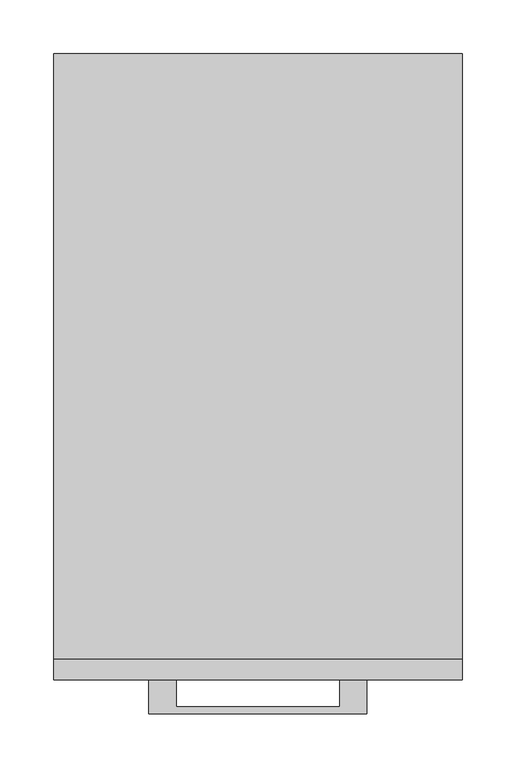
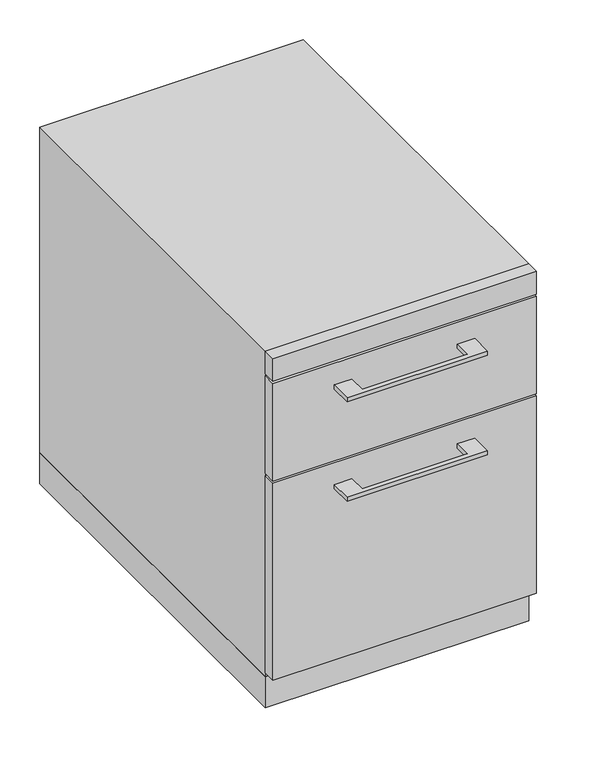
"""IFC4 building model written with IfcOpenShell, lengths in millimetres: furniture geometry."""

from ifc_helpers import new_model, si_unit, frame, origin, origin_with_axes, place, context, project, spatial, polyline, outline, extrude, source, transform, mapped, element, save


def furniture_4fc6eb5e(model_context):
    return source(origin(), model_context, "Body", "SweptSolid", [
        extrude(outline(polyline([(-76.1999818, -584.2), (-76.1999818, -609.5999758), (76.2, -609.5999758), (76.2, -584.2), (101.5999939, -584.2), (101.5999939, -615.9499879), (-101.5999939, -615.9499879), (-101.5999939, -584.2), (-76.1999818, -584.2)])), frame((0.0, 0.0, 468.3125506), z_axis=(0.0, 0.0, 1.0), x_axis=(1.0, 0.0, 0.0)), (0.0, 0.0, 1.0), 6.3499758),
        extrude(outline(polyline([(190.5, -565.15), (190.5, -584.2), (-190.5, -584.2), (-190.5, -565.15), (190.5, -565.15)])), frame((0.0, 0.0, 358.775), z_axis=(0.0, 0.0, 1.0), x_axis=(1.0, 0.0, 0.0)), (0.0, 0.0, 1.0), 149.225),
        extrude(outline(polyline([(-76.1999818, -584.2), (-76.1999818, -609.5999758), (76.2, -609.5999758), (76.2, -584.2), (101.5999939, -584.2), (101.5999939, -615.9499879), (-101.5999939, -615.9499879), (-101.5999939, -584.2), (-76.1999818, -584.2)])), frame((0.0, 0.0, 315.9125506), z_axis=(0.0, 0.0, 1.0), x_axis=(1.0, 0.0, 0.0)), (0.0, 0.0, 1.0), 6.3499758),
        extrude(outline(polyline([(190.5, -565.15), (190.5, -584.2), (-190.5, -584.2), (-190.5, -565.15), (190.5, -565.15)])), frame((0.0, 0.0, 53.975), z_axis=(0.0, 0.0, 1.0), x_axis=(1.0, 0.0, 0.0)), (0.0, 0.0, 1.0), 301.625),
        extrude(outline(polyline([(190.5, 0.0), (190.5, -565.15), (-190.5, -565.15), (-190.5, 0.0), (190.5, 0.0)])), origin_with_axes(), (0.0, 0.0, 1.0), 47.625),
        extrude(outline(polyline([(190.5, -584.2), (-190.5, -584.2), (-190.5, -565.15), (190.5, -565.15), (190.5, -584.2)])), frame((0.0, 0.0, 511.175), z_axis=(0.0, 0.0, 1.0), x_axis=(1.0, 0.0, 0.0)), (0.0, 0.0, 1.0), 34.925),
        extrude(outline(polyline([(190.5, 0.0), (190.5, -565.15), (-190.5, -565.15), (-190.5, 0.0), (190.5, 0.0)])), frame((0.0, 0.0, 47.625), z_axis=(0.0, 0.0, 1.0), x_axis=(1.0, 0.0, 0.0)), (0.0, 0.0, 1.0), 498.475),
    ])


if __name__ == "__main__":
    model = new_model("IFC4")
    model_context = context("Model", 3, world=origin())
    ifc_project = project(units=[si_unit("LENGTHUNIT", "METRE", prefix="MILLI")], contexts=[model_context])
    site = spatial("IfcSite", under=ifc_project)
    building = spatial("IfcBuilding", under=site)
    placement = place(None, origin())
    furniture_shape = furniture_4fc6eb5e(model_context)
    element("IfcFurniture", 1, at=placement, inside=building, context=model_context, shape_type="MappedRepresentation", body=[
        mapped(furniture_shape, transform((0.0, 0.0, 0.0), x_axis=(1.0, 0.0, 0.0), y_axis=(0.0, 1.0, 0.0), z_axis=(0.0, 0.0, 1.0))),
    ])
    save(model, "model.ifc")
